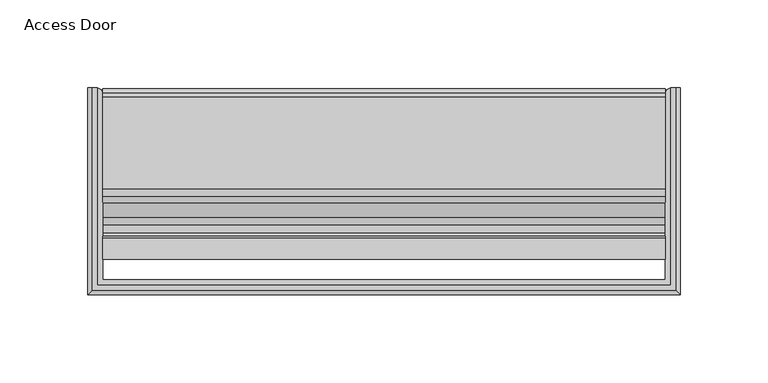
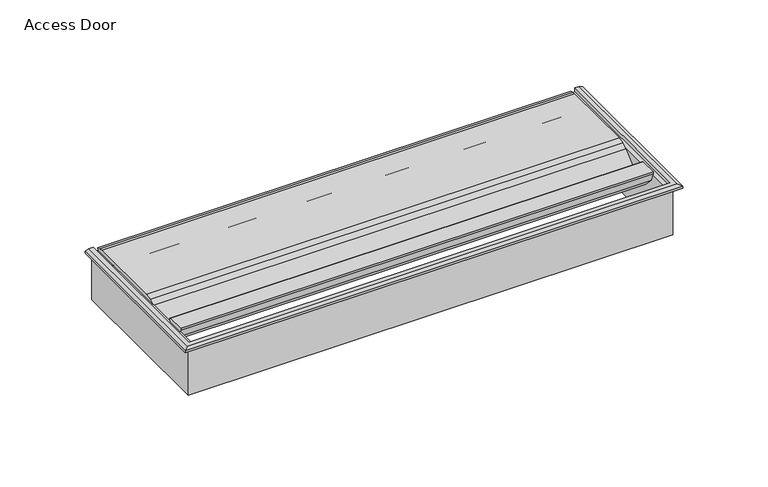
"""IFC4 building model written with IfcOpenShell, lengths in millimetres: furniture geometry, Access Door."""

from ifc_helpers import new_model, si_unit, frame, origin, place, context, project, spatial, polyline, outline, extrude, faceted_brep, source, transform, mapped, element, save


def access_door_09a5ba34(model_context):
    return source(origin(), model_context, "Body", "SolidModel", [
        faceted_brep([(-162.9150013, 113.1099985, 1066.8), (-168.2549915, 113.1099985, 1066.8), (-168.2549915, 113.1099985, 1068.3), (-165.7549988, 113.1099985, 1069.3000001), (-162.9150013, 113.1099985, 1069.3000001), (-162.9150013, 0.9999902, 1066.8), (162.9150013, 0.9999902, 1066.8), (162.9150013, 113.1099985, 1066.8), (168.2549915, 113.1099985, 1066.8), (168.2549915, -4.34, 1066.8), (-168.2549915, -4.34, 1066.8), (-168.2549915, -4.34, 1068.3), (162.9150013, 113.1099985, 1069.3000001), (162.9150013, 0.9999902, 1069.3000001), (-162.9150013, 0.9999902, 1069.3000001), (-165.7549988, -1.8400072, 1069.3000001), (165.7549988, -1.8400072, 1069.3000001), (165.7549988, 113.1099985, 1069.3000001), (168.2549915, -4.34, 1068.3), (168.2549915, 113.1099985, 1068.3)], [[[0, 1, 2, 3, 4]], [[1, 0, 5, 6, 7, 8, 9, 10]], [[1, 10, 11, 2]], [[12, 13, 14, 4, 3, 15, 16, 17]], [[0, 4, 14, 5]], [[10, 9, 18, 11]], [[6, 5, 14, 13]], [[8, 7, 12, 17, 19]], [[9, 8, 19, 18]], [[7, 6, 13, 12]], [[11, 15, 3, 2]], [[15, 11, 18, 16]], [[16, 18, 19, 17]]]),
        extrude(outline(polyline([(84.5248156, 1064.3653532), (78.9838657, 1066.2732564), (55.8499716, 1066.2732564), (52.6634746, 1065.6993411), (49.8774573, 1064.0497244), (41.5120068, 1056.8186654), (33.1510732, 1053.2548454), (24.2750616, 1055.2099553), (18.1852523, 1061.956825), (15.8948137, 1067.9520761), (15.7343675, 1069.2556459), (27.9363616, 1069.258069), (28.8089169, 1068.7345147), (28.7710785, 1067.7176423), (27.9955331, 1066.5102665), (26.2688375, 1062.5813806), (25.8391558, 1058.3113693), (26.3855069, 1057.4759473), (30.8730441, 1056.2239184), (35.4974121, 1056.7902855), (39.5501626, 1059.0882813), (47.9156085, 1066.3193404), (51.616777, 1068.5108219), (55.8499716, 1069.2732564), (108.0794008, 1069.2732564), (110.3674424, 1069.0079815), (112.6796028, 1068.1737312), (112.5583788, 1066.2732564), (100.8853904, 1066.2732564), (98.9943539, 1064.9243927), (99.6540702, 1062.697235), (102.6759243, 1060.3362997), (104.0583253, 1058.2868057), (103.9720479, 1055.8161762), (102.4500569, 1053.8681063), (100.0736848, 1053.1866935), (97.7506344, 1054.0322133), (84.5248156, 1064.3653532)])), frame((-159.9150028, 0.0, 0.0), z_axis=(1.0, 0.0, 0.0), x_axis=(0.0, 1.0, 0.0)), (0.0, 0.0, 1.0), 319.8300056),
        extrude(outline(polyline([(-163.9149948, -3.3e-06), (-163.9149948, 113.1099985), (-162.9150013, 113.1099985), (-160.7936737, 112.2313185), (-159.9150028, 110.1099999), (-159.9150028, 3.9999967), (159.9150028, 3.9999967), (159.9150028, 110.1099999), (160.7936737, 112.2313185), (162.9150013, 113.1099985), (163.9149948, 113.1099985), (163.9149948, -3.3e-06), (-163.9149948, -3.3e-06)])), frame((0.0, 0.0, 1032.3000006), z_axis=(0.0, 0.0, 1.0), x_axis=(1.0, 0.0, 0.0)), (0.0, 0.0, 1.0), 34.4999994),
    ])


if __name__ == "__main__":
    model = new_model("IFC4")
    model_context = context("Model", 3, world=origin())
    ifc_project = project(units=[si_unit("LENGTHUNIT", "METRE", prefix="MILLI")], contexts=[model_context])
    site = spatial("IfcSite", under=ifc_project)
    building = spatial("IfcBuilding", under=site)
    placement = place(None, origin())
    access_door_shape = access_door_09a5ba34(model_context)
    element("IfcFurniture", 1, ObjectType="Access Door", at=placement, inside=building, context=model_context, shape_type="MappedRepresentation", body=[
        mapped(access_door_shape, transform((0.0, 0.0, 0.0), x_axis=(1.0, 0.0, 0.0), y_axis=(0.0, 1.0, 0.0), z_axis=(0.0, 0.0, 1.0))),
    ])
    save(model, "model.ifc")
